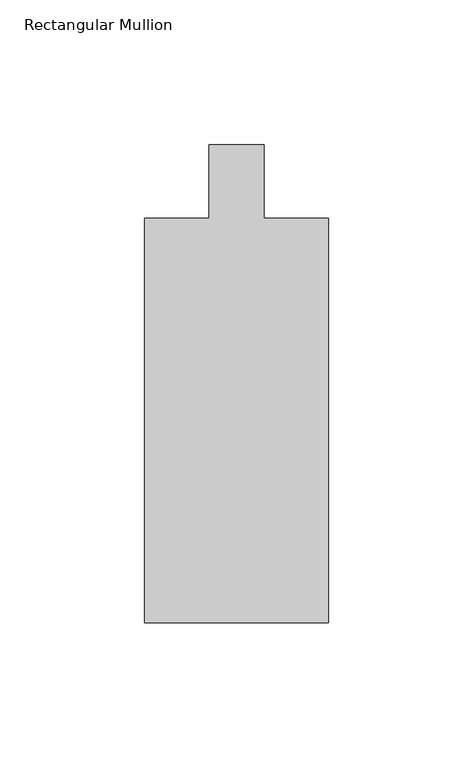
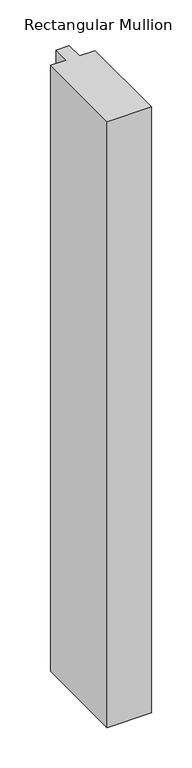
"""IFC4 building model written with IfcOpenShell, lengths in millimetres: member geometry, Rectangular Mullion."""

from ifc_helpers import new_model, si_unit, frame, origin, place, context, project, spatial, polyline, outline, extrude, source, transform, mapped, element, save


def rectangular_mullion_91249d84(model_context):
    return source(origin(), model_context, "Body", "SweptSolid", [
        extrude(outline(polyline([(0.0, -190.499995), (0.0, -50.8), (22.225, -50.8), (22.225, -25.4), (41.2752264, -25.4), (41.2752264, -50.8), (63.5001132, -50.8), (63.5001132, -190.499995), (0.0, -190.499995)])), frame((0.0, 0.0, -914.4), z_axis=(0.0, 0.0, 1.0), x_axis=(1.0, 0.0, 0.0)), (0.0, 0.0, 1.0), 914.4),
    ])


if __name__ == "__main__":
    model = new_model("IFC4")
    model_context = context("Model", 3, world=origin())
    ifc_project = project(units=[si_unit("LENGTHUNIT", "METRE", prefix="MILLI")], contexts=[model_context])
    site = spatial("IfcSite", under=ifc_project)
    building = spatial("IfcBuilding", under=site)
    placement = place(None, origin())
    rectangular_mullion_shape = rectangular_mullion_91249d84(model_context)
    element("IfcMember", 1, ObjectType="Rectangular Mullion", at=placement, inside=building, context=model_context, shape_type="MappedRepresentation", body=[
        mapped(rectangular_mullion_shape, transform((0.0, 0.0, 0.0), x_axis=(1.0, 0.0, 0.0), y_axis=(0.0, 1.0, 0.0), z_axis=(0.0, 0.0, 1.0))),
    ])
    save(model, "model.ifc")
